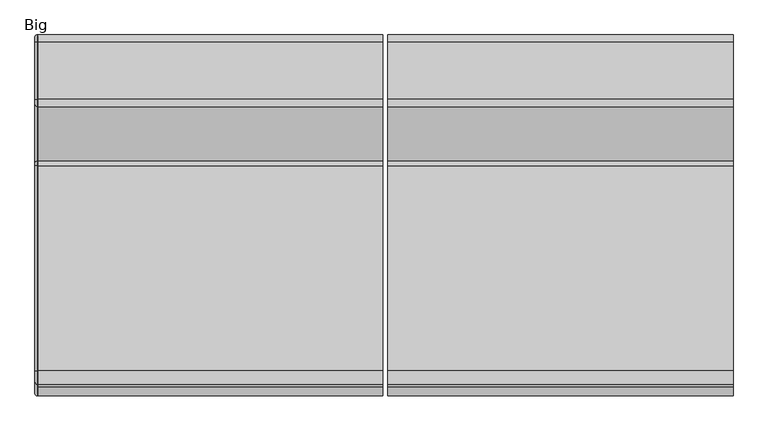
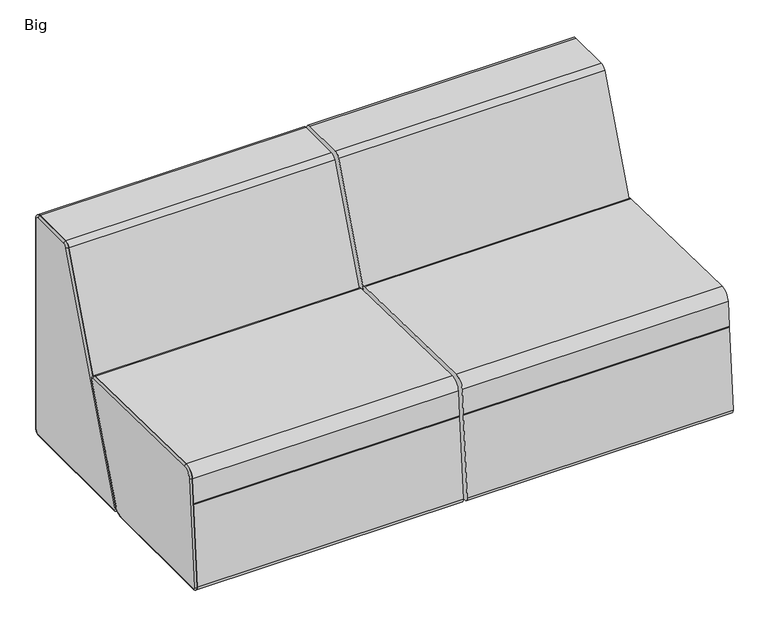
"""IFC4 building model written with IfcOpenShell, lengths in millimetres: furniture geometry, Big."""

from ifc_helpers import new_model, si_unit, point, frame, frame_2d, origin, place, context, project, spatial, polyline, circle_curve, ellipse_curve, trimmed, segment, composite_curve, outline, extrude, source, transform, mapped, element, save
from ifc_brep_helpers import plane_surface, cylinder_surface, revolved_surface, advanced_brep


def big_ac45dc13(model_context):
    return source(origin(), model_context, "Body", "SolidModel", [
        advanced_brep(
        [(-0.254, -309.3234931, 400.5410474), (-0.254, -439.5531367, 60.3381987), (-0.254, -464.4011038, 43.2436881), (-0.254, -856.7115006, 43.2436881), (-0.254, -864.2436833, 51.4033859), (-0.254, -836.7142807, 395.0582348), (-0.254, -809.6303008, 419.5340326), (-0.254, -315.0614252, 409.0733208), (6.096, -434.7493822, 58.4993215), (6.096, -304.5197385, 398.7021703), (6.096, -314.9526545, 414.2158586), (6.096, -809.5215301, 424.6765705), (6.096, -841.8415436, 395.4689681), (6.096, -869.3709462, 51.8141192), (6.096, -856.7115006, 38.1), (6.096, -464.4011038, 38.1), (4.8896881, -434.7493822, 58.4993215), (4.8896881, -304.5197385, 398.7021703), (4.8896881, -314.9526545, 414.2158586), (4.8896881, -809.5215301, 424.6765705), (4.8896881, -856.7115006, 38.1), (4.8896881, -464.4011038, 38.1), (4.8896881, -841.8415436, 395.4689681), (4.8896881, -869.3709462, 51.8141192)],
        [
            (0, 1),
            (1, 2, circle_curve(frame((-0.254, -464.4011038, 69.85), z_axis=(-1.0, 0.0, 0.0), x_axis=(0.0, 0.0, -1.0)), 26.6063119)),
            (2, 3),
            (3, 4, circle_curve(frame((-0.254, -856.7115006, 50.8), z_axis=(-1.0, 0.0, 0.0), x_axis=(0.0, -0.9968067382555047, 0.07985190397493185)), 7.5563119)),
            (4, 5),
            (5, 6, circle_curve(frame((-0.254, -810.1929297, 392.9336702), z_axis=(-1.0, 0.0, 0.0), x_axis=(0.0, 0.02114644341893813, 0.9997763889644172)), 26.6063119)),
            (6, 7),
            (7, 0, circle_curve(frame((-0.254, -315.1943583, 402.7884145), z_axis=(-1.0, 0.0, 0.0), x_axis=(0.0, 0.933912493810332, -0.35750168377920466)), 6.2863119)),
            (8, 9),
            (9, 10, circle_curve(frame((6.096, -315.1943583, 402.7884145), z_axis=(1.0, 0.0, 0.0), x_axis=(0.0, 0.933912493810332, -0.35750168377920466)), 11.43)),
            (10, 11),
            (11, 12, circle_curve(frame((6.096, -810.1929297, 392.9336702), z_axis=(1.0, 0.0, 0.0), x_axis=(0.0, 0.02114644341893813, 0.9997763889644172)), 31.75)),
            (12, 13),
            (13, 14, circle_curve(frame((6.096, -856.7115006, 50.8), z_axis=(1.0, 0.0, 0.0), x_axis=(0.0, -0.9968067382555047, 0.07985190397493185)), 12.7)),
            (14, 15),
            (15, 8, circle_curve(frame((6.096, -464.4011038, 69.85), z_axis=(1.0, 0.0, 0.0), x_axis=(0.0, 0.0, -1.0)), 31.75)),
            (16, 1, circle_curve(frame((4.8896881, -439.5531367, 60.3381987), z_axis=(0.0, 0.3575016837791923, 0.9339124938103369), x_axis=(1.0, 0.0, 0.0)), 5.1436881)),
            (0, 17, circle_curve(frame((4.8896881, -309.3234931, 400.5410474), z_axis=(0.0, -0.3575016837791923, -0.9339124938103369), x_axis=(1.0, 0.0, 0.0)), 5.1436881)),
            (17, 16),
            (17, 9),
            (8, 16),
            (18, 7, circle_curve(frame((4.8896881, -315.0614252, 409.0733208), z_axis=(0.0, -0.9997763889644173, 0.02114644341893418), x_axis=(1.0, 0.0, 0.0)), 5.1436881)),
            (6, 19, circle_curve(frame((4.8896881, -809.6303008, 419.5340326), z_axis=(0.0, 0.9997763889644173, -0.02114644341893418), x_axis=(1.0, 0.0, 0.0)), 5.1436881)),
            (19, 18),
            (19, 11),
            (10, 18),
            (20, 3, circle_curve(frame((4.8896881, -856.7115006, 43.2436881), z_axis=(0.0, 1.0, 0.0), x_axis=(1.0, 0.0, 0.0)), 5.1436881)),
            (2, 21, circle_curve(frame((4.8896881, -464.4011038, 43.2436881), z_axis=(0.0, -1.0, 0.0), x_axis=(1.0, 0.0, 0.0)), 5.1436881)),
            (21, 20),
            (21, 15),
            (14, 20),
            (16, 21, circle_curve(frame((4.8896881, -464.4011038, 69.85), z_axis=(-1.0, 0.0, 0.0), x_axis=(0.0, 0.0, -1.0)), 31.75)),
            (18, 17, circle_curve(frame((4.8896881, -315.1943583, 402.7884145), z_axis=(-1.0, 0.0, 0.0), x_axis=(0.0, 0.933912493810332, -0.35750168377920466)), 11.43)),
            (5, 22, circle_curve(frame((4.8896881, -836.7142807, 395.0582348), z_axis=(0.0, 0.07985190397493835, 0.9968067382555041), x_axis=(1.0, 0.0, 0.0)), 5.1436881)),
            (22, 19, circle_curve(frame((4.8896881, -810.1929297, 392.9336702), z_axis=(-1.0, 0.0, 0.0), x_axis=(0.0, 0.02114644341893813, 0.9997763889644172)), 31.75)),
            (22, 12),
            (4, 23, circle_curve(frame((4.8896881, -864.2436833, 51.4033859), z_axis=(0.0, 0.07985190397492815, 0.996806738255505), x_axis=(1.0, 0.0, 0.0)), 5.1436881)),
            (23, 22),
            (23, 13),
            (20, 23, circle_curve(frame((4.8896881, -856.7115006, 50.8), z_axis=(-1.0, 0.0, 0.0), x_axis=(0.0, -0.9968067382555047, 0.07985190397493185)), 12.7)),
        ],
        [
            plane_surface(frame((-0.254, -315.0869344, 407.8672786), z_axis=(-1.0, 0.0, 0.0), x_axis=(0.0, 0.9997763889644173, -0.021146443418933708))),
            plane_surface(frame((6.096, -315.0869344, 407.8672786), z_axis=(1.0, 0.0, 0.0), x_axis=(0.0, -0.9997763889644173, 0.021146443418933708))),
            cylinder_surface(frame((4.8896881, -439.5531367, 60.3381987), z_axis=(0.0, -0.3575016837791923, -0.9339124938103369), x_axis=(1.0, 0.0, 0.0)), 5.1436881),
            plane_surface(frame((4.8896881, -434.7493822, 58.4993215), z_axis=(0.0, 0.9339124938103369, -0.3575016837791922), x_axis=(0.0, 0.3575016837791922, 0.9339124938103369))),
            cylinder_surface(frame((4.8896881, -315.0614252, 409.0733208), z_axis=(0.0, 0.9997763889644173, -0.02114644341893418), x_axis=(1.0, 0.0, 0.0)), 5.1436881),
            plane_surface(frame((4.8896881, -314.9526545, 414.2158586), z_axis=(0.0, 0.02114644341893413, 0.9997763889644173), x_axis=(0.0, -0.9997763889644173, 0.02114644341893413))),
            cylinder_surface(frame((4.8896881, -856.7115006, 43.2436881), z_axis=(0.0, -1.0, 0.0), x_axis=(1.0, 0.0, 0.0)), 5.1436881),
            plane_surface(frame((4.8896881, -856.7115006, 38.1), z_axis=(0.0, 0.0, -1.0), x_axis=(0.0, 1.0, 0.0))),
            revolved_surface(trimmed(ellipse_curve(frame((4.8896881, -464.4011038, 43.2436881), z_axis=(0.0, -1.0, 0.0), x_axis=(1.0, 0.0, 0.0)), 5.1436881, 5.1436881), [point((-0.254, -464.4011038, 43.2436881))], [point((4.8896881, -464.4011038, 38.1))], True, "CARTESIAN"), (-0.254, -464.4011038, 69.85), (1.0, 0.0, 0.0)),
            cylinder_surface(frame((-0.254, -464.4011038, 69.85), z_axis=(1.0, 0.0, 0.0), x_axis=(0.0, 0.0, -1.0)), 31.75),
            revolved_surface(trimmed(ellipse_curve(frame((4.8896881, -309.3234931, 400.5410474), z_axis=(0.0, -0.35750168377920477, -0.933912493810332), x_axis=(1.0, 0.0, 0.0)), 5.1436881, 5.1436881), [point((-0.254, -309.3234931, 400.5410474))], [point((4.8896881, -304.5197385, 398.7021703))], True, "CARTESIAN"), (-0.254, -315.1943583, 402.7884145), (1.0, 0.0, 0.0)),
            cylinder_surface(frame((-0.254, -315.1943583, 402.7884145), z_axis=(1.0, 0.0, 0.0), x_axis=(0.0, 0.933912493810332, -0.35750168377920466)), 11.43),
            revolved_surface(trimmed(ellipse_curve(frame((4.8896881, -809.6303008, 419.5340326), z_axis=(0.0, 0.9997763889644172, -0.021146443418938222), x_axis=(1.0, 0.0, 0.0)), 5.1436881, 5.1436881), [point((-0.254, -809.6303008, 419.5340326))], [point((4.8896881, -809.5215301, 424.6765705))], True, "CARTESIAN"), (-0.254, -810.1929297, 392.9336702), (1.0, 0.0, 0.0)),
            cylinder_surface(frame((-0.254, -810.1929297, 392.9336702), z_axis=(1.0, 0.0, 0.0), x_axis=(0.0, 0.02114644341893813, 0.9997763889644172)), 31.75),
            cylinder_surface(frame((4.8896881, -836.7142807, 395.0582348), z_axis=(0.0, 0.07985190397492815, 0.996806738255505), x_axis=(1.0, 0.0, 0.0)), 5.1436881),
            plane_surface(frame((4.8896881, -841.8415436, 395.4689681), z_axis=(0.0, -0.9968067382555051, 0.07985190397492803), x_axis=(0.0, -0.07985190397492803, -0.9968067382555051))),
            revolved_surface(trimmed(ellipse_curve(frame((4.8896881, -864.2436833, 51.4033859), z_axis=(0.0, 0.07985190397493194, 0.9968067382555047), x_axis=(1.0, 0.0, 0.0)), 5.1436881, 5.1436881), [point((-0.254, -864.2436833, 51.4033859))], [point((4.8896881, -869.3709462, 51.8141192))], True, "CARTESIAN"), (-0.254, -856.7115006, 50.8), (1.0, 0.0, 0.0)),
            cylinder_surface(frame((-0.254, -856.7115006, 50.8), z_axis=(1.0, 0.0, 0.0), x_axis=(0.0, -0.9968067382555047, 0.07985190397493185)), 12.7),
        ],
        [
            (0, [[1, 2, 3, 4, 5, 6, 7, 8]]),
            (1, [[9, 10, 11, 12, 13, 14, 15, 16]]),
            (2, [[17, -1, 18, 19]]),
            (3, [[-19, 20, -9, 21]]),
            (4, [[22, -7, 23, 24]]),
            (5, [[-24, 25, -11, 26]]),
            (6, [[27, -3, 28, 29]]),
            (7, [[-29, 30, -15, 31]]),
            (8, [[-17, 32, -28, -2]]),
            (9, [[-21, -16, -30, -32]]),
            (10, [[-18, -8, -22, 33]]),
            (11, [[-20, -33, -26, -10]]),
            (12, [[-23, -6, 34, 35]]),
            (13, [[-25, -35, 36, -12]]),
            (14, [[-34, -5, 37, 38]]),
            (15, [[-36, -38, 39, -13]]),
            (16, [[-27, 40, -37, -4]]),
            (17, [[-31, -14, -39, -40]]),
        ],
    ),
        advanced_brep(
        [(4.8896881, -173.0792475, 753.4076796), (-0.254, -168.2718112, 751.5784492), (-0.254, -433.8956515, 53.4872227), (4.8896881, -438.7030878, 55.3164531), (6.096, -438.7030878, 55.3164531), (6.096, -173.0792475, 753.4076796), (4.8896881, -426.8333088, 38.1), (-0.254, -426.8333088, 43.2436881), (-0.254, -19.05, 43.2436881), (4.8896881, -19.05, 38.1), (6.096, -19.05, 38.1), (6.096, -426.8333088, 38.1), (-0.254, -5.1436881, 57.15), (4.8896881, 0.0, 57.15), (6.096, 0.0, 57.15), (-0.254, -5.1436881, 748.665), (4.8896881, 0.0, 748.665), (6.096, 0.0, 748.665), (-0.254, -17.018, 760.5393119), (4.8896881, -17.018, 765.683), (6.096, -17.018, 765.683), (-0.254, -155.2745791, 760.5393119), (4.8896881, -155.2745791, 765.683), (6.096, -155.2745791, 765.683)],
        [
            (0, 1, circle_curve(frame((4.8896881, -168.2718112, 751.5784492), z_axis=(0.0, -0.3556262257533027, -0.9346282616936323), x_axis=(1.0, 0.0, 0.0)), 5.1436881)),
            (1, 2),
            (2, 3, circle_curve(frame((4.8896881, -433.8956515, 53.4872227), z_axis=(0.0, 0.3556262257533027, 0.9346282616936323), x_axis=(1.0, 0.0, 0.0)), 5.1436881)),
            (3, 0),
            (3, 4),
            (4, 5),
            (5, 0),
            (6, 7, circle_curve(frame((4.8896881, -426.8333088, 43.2436881), z_axis=(0.0, 1.0, 0.0), x_axis=(1.0, 0.0, 0.0)), 5.1436881)),
            (7, 8),
            (8, 9, circle_curve(frame((4.8896881, -19.05, 43.2436881), z_axis=(0.0, -1.0, 0.0), x_axis=(1.0, 0.0, 0.0)), 5.1436881)),
            (9, 6),
            (9, 10),
            (10, 11),
            (11, 6),
            (8, 12, circle_curve(frame((-0.254, -19.05, 57.15), z_axis=(1.0, 0.0, 0.0), x_axis=(0.0, 0.0, -1.0)), 13.9063119)),
            (12, 13, circle_curve(frame((4.8896881, -5.1436881, 57.15), z_axis=(0.0, 0.0, -1.0), x_axis=(1.0, 0.0, 0.0)), 5.1436881)),
            (13, 9, circle_curve(frame((4.8896881, -19.05, 57.15), z_axis=(-1.0, 0.0, 0.0), x_axis=(0.0, 0.0, -1.0)), 19.05)),
            (13, 14),
            (14, 10, circle_curve(frame((6.096, -19.05, 57.15), z_axis=(-1.0, 0.0, 0.0), x_axis=(0.0, 0.0, -1.0)), 19.05)),
            (12, 15),
            (15, 16, circle_curve(frame((4.8896881, -5.1436881, 748.665), z_axis=(0.0, 0.0, -1.0), x_axis=(1.0, 0.0, 0.0)), 5.1436881)),
            (16, 13),
            (16, 17),
            (17, 14),
            (15, 18, circle_curve(frame((-0.254, -17.018, 748.665), z_axis=(1.0, 0.0, 0.0), x_axis=(0.0, 1.0, 0.0)), 11.8743119)),
            (18, 19, circle_curve(frame((4.8896881, -17.018, 760.5393119), z_axis=(0.0, 1.0, 0.0), x_axis=(1.0, 0.0, 0.0)), 5.1436881)),
            (19, 16, circle_curve(frame((4.8896881, -17.018, 748.665), z_axis=(-1.0, 0.0, 0.0), x_axis=(0.0, 1.0, 0.0)), 17.018)),
            (19, 20),
            (20, 17, circle_curve(frame((6.096, -17.018, 748.665), z_axis=(-1.0, 0.0, 0.0), x_axis=(0.0, 1.0, 0.0)), 17.018)),
            (18, 21),
            (21, 22, circle_curve(frame((4.8896881, -155.2745791, 760.5393119), z_axis=(0.0, 1.0, 0.0), x_axis=(1.0, 0.0, 0.0)), 5.1436881)),
            (22, 19),
            (22, 23),
            (23, 20),
            (0, 22, circle_curve(frame((4.8896881, -155.2745791, 746.633), z_axis=(-1.0, 0.0, 0.0), x_axis=(0.0, 0.0, 1.0)), 19.05)),
            (21, 1, circle_curve(frame((-0.254, -155.2745791, 746.633), z_axis=(1.0, 0.0, 0.0), x_axis=(0.0, 0.0, 1.0)), 13.9063119)),
            (5, 23, circle_curve(frame((6.096, -155.2745791, 746.633), z_axis=(-1.0, 0.0, 0.0), x_axis=(0.0, 0.0, 1.0)), 19.05)),
            (7, 2, circle_curve(frame((-0.254, -426.8333088, 50.8), z_axis=(-1.0, 0.0, 0.0), x_axis=(0.0, -0.9346282616936317, 0.35562622575330444)), 7.5563119)),
            (6, 3, circle_curve(frame((4.8896881, -426.8333088, 50.8), z_axis=(-1.0, 0.0, 0.0), x_axis=(0.0, -0.9346282616936317, 0.35562622575330444)), 12.7)),
            (11, 4, circle_curve(frame((6.096, -426.8333088, 50.8), z_axis=(-1.0, 0.0, 0.0), x_axis=(0.0, -0.9346282616936317, 0.35562622575330444)), 12.7)),
        ],
        [
            cylinder_surface(frame((4.8896881, -168.2718112, 751.5784492), z_axis=(0.0, 0.3556262257533027, 0.9346282616936323), x_axis=(1.0, 0.0, 0.0)), 5.1436881),
            plane_surface(frame((4.8896881, -173.0792475, 753.4076796), z_axis=(0.0, -0.9346282616936324, 0.35562622575330266), x_axis=(0.0, -0.35562622575330266, -0.9346282616936324))),
            cylinder_surface(frame((4.8896881, -426.8333088, 43.2436881), z_axis=(0.0, -1.0, 0.0), x_axis=(1.0, 0.0, 0.0)), 5.1436881),
            plane_surface(frame((4.8896881, -426.8333088, 38.1), z_axis=(0.0, 0.0, -1.0), x_axis=(0.0, 1.0, 0.0))),
            revolved_surface(trimmed(ellipse_curve(frame((4.8896881, -19.05, 43.2436881), z_axis=(0.0, -1.0, 0.0), x_axis=(1.0, 0.0, 0.0)), 5.1436881, 5.1436881), [point((-0.254, -19.05, 43.2436881))], [point((4.8896881, -19.05, 38.1))], True, "CARTESIAN"), (-0.254, -19.05, 57.15), (1.0, 0.0, 0.0)),
            cylinder_surface(frame((-0.254, -19.05, 57.15), z_axis=(1.0, 0.0, 0.0), x_axis=(0.0, 0.0, -1.0)), 19.05),
            cylinder_surface(frame((4.8896881, -5.1436881, 57.15), z_axis=(0.0, 0.0, -1.0), x_axis=(1.0, 0.0, 0.0)), 5.1436881),
            plane_surface(frame((4.8896881, 0.0, 57.15), z_axis=(0.0, 1.0, 0.0), x_axis=(0.0, 0.0, 1.0))),
            revolved_surface(trimmed(ellipse_curve(frame((4.8896881, -5.1436881, 748.665), z_axis=(0.0, 0.0, -1.0), x_axis=(1.0, 0.0, 0.0)), 5.1436881, 5.1436881), [point((-0.254, -5.1436881, 748.665))], [point((4.8896881, 0.0, 748.665))], True, "CARTESIAN"), (-0.254, -17.018, 748.665), (1.0, 0.0, 0.0)),
            cylinder_surface(frame((-0.254, -17.018, 748.665), z_axis=(1.0, 0.0, 0.0), x_axis=(0.0, 1.0, 0.0)), 17.018),
            cylinder_surface(frame((4.8896881, -17.018, 760.5393119), z_axis=(0.0, 1.0, 0.0), x_axis=(1.0, 0.0, 0.0)), 5.1436881),
            plane_surface(frame((4.8896881, -17.018, 765.683), z_axis=(0.0, 0.0, 1.0), x_axis=(0.0, -1.0, 0.0))),
            revolved_surface(trimmed(ellipse_curve(frame((4.8896881, -155.2745791, 760.5393119), z_axis=(0.0, 1.0, 0.0), x_axis=(1.0, 0.0, 0.0)), 5.1436881, 5.1436881), [point((-0.254, -155.2745791, 760.5393119))], [point((4.8896881, -155.2745791, 765.683))], True, "CARTESIAN"), (-0.254, -155.2745791, 746.633), (1.0, 0.0, 0.0)),
            cylinder_surface(frame((-0.254, -155.2745791, 746.633), z_axis=(1.0, 0.0, 0.0), x_axis=(0.0, 0.0, 1.0)), 19.05),
            plane_surface(frame((-0.254, -426.8333088, 50.8), z_axis=(-1.0, 0.0, 0.0), x_axis=(0.0, -0.9346282616936318, 0.3556262257533045))),
            revolved_surface(trimmed(ellipse_curve(frame((4.8896881, -433.8956515, 53.4872227), z_axis=(0.0, 0.35562622575330444, 0.9346282616936317), x_axis=(1.0, 0.0, 0.0)), 5.1436881, 5.1436881), [point((-0.254, -433.8956515, 53.4872227))], [point((4.8896881, -438.7030878, 55.3164531))], True, "CARTESIAN"), (-0.254, -426.8333088, 50.8), (1.0, 0.0, 0.0)),
            cylinder_surface(frame((-0.254, -426.8333088, 50.8), z_axis=(1.0, 0.0, 0.0), x_axis=(0.0, -0.9346282616936317, 0.35562622575330444)), 12.7),
            plane_surface(frame((6.096, -426.8333088, 50.8), z_axis=(1.0, 0.0, 0.0), x_axis=(0.0, -0.9346282616936318, 0.3556262257533045))),
        ],
        [
            (0, [[1, 2, 3, 4]]),
            (1, [[-4, 5, 6, 7]]),
            (2, [[8, 9, 10, 11]]),
            (3, [[-11, 12, 13, 14]]),
            (4, [[-10, 15, 16, 17]]),
            (5, [[-12, -17, 18, 19]]),
            (6, [[-16, 20, 21, 22]]),
            (7, [[-18, -22, 23, 24]]),
            (8, [[-21, 25, 26, 27]]),
            (9, [[-23, -27, 28, 29]]),
            (10, [[-26, 30, 31, 32]]),
            (11, [[-28, -32, 33, 34]]),
            (12, [[-1, 35, -31, 36]]),
            (13, [[-7, 37, -33, -35]]),
            (14, [[-2, -36, -30, -25, -20, -15, -9, 38]]),
            (15, [[-3, -38, -8, 39]]),
            (16, [[-5, -39, -14, 40]]),
            (17, [[-6, -40, -13, -19, -24, -29, -34, -37]]),
        ],
    ),
        extrude(outline(composite_curve([segment(polyline([(-809.5215301, 424.6765705), (-314.9526545, 414.2158586)]), True, "CONTINUOUS"), segment(trimmed(circle_curve(frame_2d((-315.1943583, 402.7884145)), 11.43), [point((-314.9526545, 414.2158586))], [point((-304.5197385, 398.7021703))], False, "CARTESIAN"), True, "CONTINUOUS"), segment(polyline([(-304.5197385, 398.7021703), (-434.7493822, 58.4993215)]), True, "CONTINUOUS"), segment(trimmed(circle_curve(frame_2d((-464.4011038, 69.85)), 31.75), [point((-434.7493822, 58.4993215))], [point((-464.4011038, 38.1))], False, "CARTESIAN"), True, "CONTINUOUS"), segment(polyline([(-464.4011038, 38.1), (-856.7115006, 38.1)]), True, "CONTINUOUS"), segment(trimmed(circle_curve(frame_2d((-856.7115006, 50.8)), 12.7), [point((-856.7115006, 38.1))], [point((-869.3709462, 51.8141192))], False, "CARTESIAN"), True, "CONTINUOUS"), segment(polyline([(-869.3709462, 51.8141192), (-848.45962, 312.8542425), (-847.2755375, 314.0383251), (-848.1917277, 316.1983933), (-841.8415436, 395.4689681)]), True, "CONTINUOUS"), segment(trimmed(circle_curve(frame_2d((-810.1929297, 392.9336702)), 31.75), [point((-841.8415436, 395.4689681))], [point((-809.5215301, 424.6765705))], False, "CARTESIAN"), True, "CONTINUOUS")], self_intersect=False)), frame((850.6447146, 0.0, 0.0), z_axis=(1.0, 0.0, 0.0), x_axis=(0.0, 1.0, 0.0)), (0.0, 0.0, 1.0), 831.8487146),
        advanced_brep(
        [(1682.4934293, -155.2745791, 765.683), (1682.4934293, -173.0793525, 753.4074034), (1682.4934293, -438.7136544, 55.3202627), (1682.4934293, -426.8333088, 38.1), (1682.4934293, -19.05, 38.1), (1682.4934293, -0.0201742, 56.2735128), (1682.4934293, -0.0201742, 636.29672), (1682.4934293, -2.3995896, 638.2932462), (1682.4934293, -0.0201742, 640.2897724), (1682.4934293, -0.0201742, 749.4933971), (1682.4934293, -17.018, 765.683), (850.6447146, -155.2745791, 765.683), (850.6447146, -17.018, 765.683), (850.6447146, -0.0201742, 749.4933971), (850.6447146, -0.0201742, 640.2897724), (850.6447146, -2.3995896, 638.2932462), (850.6447146, -0.0201742, 636.29672), (850.6447146, -0.0201742, 56.2735128), (850.6447146, -19.05, 38.1), (850.6447146, -426.8333088, 38.1), (850.6447146, -438.7031578, 55.316269), (850.6447146, -173.1006769, 753.415517)],
        [
            (0, 1, circle_curve(frame((1682.4934293, -155.2745791, 746.633), z_axis=(1.0, 0.0, 0.0), x_axis=(0.0, 0.0, 1.0)), 19.05)),
            (1, 2),
            (2, 3, circle_curve(frame((1682.4934293, -426.8333088, 50.8), z_axis=(1.0, 0.0, 0.0), x_axis=(0.0, -0.9346282616936318, 0.3556262257533045)), 12.7)),
            (3, 4),
            (4, 5, circle_curve(frame((1682.4934293, -19.05, 57.15), z_axis=(1.0, 0.0, 0.0), x_axis=(0.0, 0.0, -1.0)), 19.05)),
            (5, 6),
            (6, 7),
            (7, 8),
            (8, 9),
            (9, 10, circle_curve(frame((1682.4934293, -17.018, 748.665), z_axis=(1.0, 0.0, 0.0), x_axis=(0.0, 1.0, 0.0)), 17.018)),
            (10, 0),
            (11, 12),
            (12, 13, circle_curve(frame((850.6447146, -17.018, 748.665), z_axis=(-1.0, 0.0, 0.0), x_axis=(0.0, 1.0, 0.0)), 17.018)),
            (13, 14),
            (14, 15),
            (15, 16),
            (16, 17),
            (17, 18, circle_curve(frame((850.6447146, -19.05, 57.15), z_axis=(-1.0, 0.0, 0.0), x_axis=(0.0, 0.0, -1.0)), 19.05)),
            (18, 19),
            (19, 20, circle_curve(frame((850.6447146, -426.8333088, 50.8), z_axis=(-1.0, 0.0, 0.0), x_axis=(0.0, -0.9346282616936318, 0.3556262257533045)), 12.7)),
            (20, 21),
            (21, 11, circle_curve(frame((850.6447146, -155.2745791, 746.633), z_axis=(-1.0, 0.0, 0.0), x_axis=(0.0, 0.0, 1.0)), 19.05)),
            (0, 11),
            (21, 1),
            (20, 2),
            (19, 3),
            (18, 4),
            (17, 5),
            (16, 6),
            (15, 7),
            (14, 8),
            (13, 9),
            (12, 10),
        ],
        [
            plane_surface(frame((1682.4934293, -155.2745791, 765.683), z_axis=(1.0, 0.0, 0.0), x_axis=(0.0, -1.0, 0.0))),
            plane_surface(frame((850.6447146, -155.2745791, 765.683), z_axis=(-1.0, 0.0, 0.0), x_axis=(0.0, 1.0, 0.0))),
            cylinder_surface(frame((850.6447146, -155.2745791, 746.633), z_axis=(1.0, 0.0, 0.0), x_axis=(0.0, 0.0, 1.0)), 19.05),
            plane_surface(frame((1682.4934293, -173.1006769, 753.415517), z_axis=(0.0, -0.9346337775142447, 0.3556117291786837), x_axis=(-1.0, 0.0, 0.0))),
            cylinder_surface(frame((850.6447146, -426.8333088, 50.8), z_axis=(1.0, 0.0, 0.0), x_axis=(0.0, -0.9346282616936318, 0.3556262257533045)), 12.7),
            plane_surface(frame((1682.4934293, -426.8333088, 38.1), z_axis=(0.0, 0.0, -1.0), x_axis=(-1.0, 0.0, 0.0))),
            cylinder_surface(frame((850.6447146, -19.05, 57.15), z_axis=(1.0, 0.0, 0.0), x_axis=(0.0, 0.0, -1.0)), 19.05),
            plane_surface(frame((1682.4934293, -0.0201742, 56.2735128), z_axis=(0.0, 1.0, 0.0), x_axis=(-1.0, 0.0, 0.0))),
            plane_surface(frame((1682.4934293, -0.0201742, 636.29672), z_axis=(0.0, 0.6427799768384292, 0.7660508477742117), x_axis=(-1.0, 0.0, 0.0))),
            plane_surface(frame((1682.4934293, -2.3995896, 638.2932462), z_axis=(0.0, 0.6427799768384275, -0.7660508477742132), x_axis=(-1.0, 0.0, 0.0))),
            plane_surface(frame((1682.4934293, -0.0201742, 640.2897724), z_axis=(0.0, 1.0, 0.0), x_axis=(-1.0, 0.0, 0.0))),
            cylinder_surface(frame((850.6447146, -17.018, 748.665), z_axis=(1.0, 0.0, 0.0), x_axis=(0.0, 1.0, 0.0)), 17.018),
            plane_surface(frame((1682.4934293, -17.018, 765.683), z_axis=(0.0, 0.0, 1.0), x_axis=(-1.0, 0.0, 0.0))),
        ],
        [
            (0, [[1, 2, 3, 4, 5, 6, 7, 8, 9, 10, 11]]),
            (1, [[12, 13, 14, 15, 16, 17, 18, 19, 20, 21, 22]]),
            (2, [[-1, 23, -22, 24]]),
            (3, [[-2, -24, -21, 25]]),
            (4, [[-3, -25, -20, 26]]),
            (5, [[-4, -26, -19, 27]]),
            (6, [[-5, -27, -18, 28]]),
            (7, [[-6, -28, -17, 29]]),
            (8, [[-7, -29, -16, 30]]),
            (9, [[-8, -30, -15, 31]]),
            (10, [[-9, -31, -14, 32]]),
            (11, [[-10, -32, -13, 33]]),
            (12, [[-11, -33, -12, -23]]),
        ],
    ),
        advanced_brep(
        [(1575.5566121, -756.8523536, 67.6126123), (1584.9939089, -756.8523536, 67.6126123), (1584.9939089, -756.8523536, 43.0000401), (1575.5566121, -756.8523536, 43.0000401), (1606.9958653, -756.8523536, 43.0000401), (1553.5546557, -756.8523536, 43.0000401), (1604.3464978, -756.8523536, 21.422673), (1556.2040232, -756.8523536, 21.422673), (1597.2327608, -756.8523536, 0.0), (1563.3177602, -756.8523536, 0.0), (1580.2752605, -756.8523536, 0.0), (1580.2752605, -756.8523536, 67.6126123)],
        [
            (0, 1, circle_curve(frame((1580.2752605, -756.8523536, 67.6126123), z_axis=(0.0, 0.0, -1.0), x_axis=(1.0, 0.0, 0.0)), 4.7186484)),
            (1, 2),
            (2, 3, circle_curve(frame((1580.2752605, -756.8523536, 43.0000401), z_axis=(0.0, 0.0, 1.0), x_axis=(1.0, 0.0, 0.0)), 4.7186484)),
            (3, 0),
            (1, 0, circle_curve(frame((1580.2752605, -756.8523536, 67.6126123), z_axis=(0.0, 0.0, -1.0), x_axis=(1.0, 0.0, 0.0)), 4.7186484)),
            (3, 2, circle_curve(frame((1580.2752605, -756.8523536, 43.0000401), z_axis=(0.0, 0.0, 1.0), x_axis=(1.0, 0.0, 0.0)), 4.7186484)),
            (2, 4),
            (4, 5, circle_curve(frame((1580.2752605, -756.8523536, 43.0000401), z_axis=(0.0, 0.0, 1.0), x_axis=(1.0, 0.0, 0.0)), 26.7206048)),
            (5, 3),
            (5, 4, circle_curve(frame((1580.2752605, -756.8523536, 43.0000401), z_axis=(0.0, 0.0, 1.0), x_axis=(1.0, 0.0, 0.0)), 26.7206048)),
            (4, 6),
            (6, 7, circle_curve(frame((1580.2752605, -756.8523536, 21.422673), z_axis=(0.0, 0.0, 1.0), x_axis=(1.0, 0.0, 0.0)), 24.0712373)),
            (7, 5),
            (7, 6, circle_curve(frame((1580.2752605, -756.8523536, 21.422673), z_axis=(0.0, 0.0, 1.0), x_axis=(1.0, 0.0, 0.0)), 24.0712373)),
            (6, 8),
            (8, 9, circle_curve(frame((1580.2752605, -756.8523536, 0.0), z_axis=(0.0, 0.0, 1.0), x_axis=(1.0, 0.0, 0.0)), 16.9575003)),
            (9, 7),
            (9, 8, circle_curve(frame((1580.2752605, -756.8523536, 0.0), z_axis=(0.0, 0.0, 1.0), x_axis=(1.0, 0.0, 0.0)), 16.9575003)),
            (8, 10),
            (10, 9),
            (11, 1),
            (0, 11),
        ],
        [
            cylinder_surface(frame((1580.2752605, -756.8523536, 67.6126123), z_axis=(0.0, 0.0, 1.0), x_axis=(1.0, 0.0, 0.0)), 4.7186484),
            plane_surface(frame((1580.2752605, -756.8523536, 43.0000401), z_axis=(0.0, 0.0, 1.0), x_axis=(1.0, 0.0, 0.0))),
            revolved_surface(polyline([(1604.3464978, -756.8523536, 21.422673), (1606.9958653, -756.8523536, 43.0000401)]), (1580.2752605, -756.8523536, 67.6126123), (0.0, 0.0, 1.0)),
            revolved_surface(polyline([(1597.2327608, -756.8523536, 0.0), (1604.3464978, -756.8523536, 21.422673)]), (1580.2752605, -756.8523536, 67.6126123), (0.0, 0.0, 1.0)),
            plane_surface(frame((1580.2752605, -756.8523536, 0.0), z_axis=(0.0, 0.0, -1.0), x_axis=(1.0, 0.0, 0.0))),
            plane_surface(frame((1580.2752605, -756.8523536, 67.6126123), z_axis=(0.0, 0.0, 1.0), x_axis=(1.0, 0.0, 0.0))),
        ],
        [
            (0, [[1, 2, 3, 4]]),
            (0, [[5, -4, 6, -2]]),
            (1, [[-3, 7, 8, 9]]),
            (1, [[-6, -9, 10, -7]]),
            (2, [[-8, 11, 12, 13]]),
            (2, [[-10, -13, 14, -11]]),
            (3, [[-12, 15, 16, 17]]),
            (3, [[-14, -17, 18, -15]]),
            (4, [[-16, 19, 20]]),
            (4, [[-18, -20, -19]]),
            (5, [[21, -1, 22]]),
            (5, [[-22, -5, -21]]),
        ],
    ),
        advanced_brep(
        [(1578.7316121, -115.2637734, 67.6126123), (1588.1689089, -115.2637734, 67.6126123), (1588.1689089, -115.2637734, 43.0000401), (1578.7316121, -115.2637734, 43.0000401), (1610.1708653, -115.2637734, 43.0000401), (1556.7296557, -115.2637734, 43.0000401), (1607.5214978, -115.2637734, 21.422673), (1559.3790232, -115.2637734, 21.422673), (1600.4077608, -115.2637734, 0.0), (1566.4927602, -115.2637734, 0.0), (1583.4502605, -115.2637734, 0.0), (1583.4502605, -115.2637734, 67.6126123)],
        [
            (0, 1, circle_curve(frame((1583.4502605, -115.2637734, 67.6126123), z_axis=(0.0, 0.0, -1.0), x_axis=(1.0, 0.0, 0.0)), 4.7186484)),
            (1, 2),
            (2, 3, circle_curve(frame((1583.4502605, -115.2637734, 43.0000401), z_axis=(0.0, 0.0, 1.0), x_axis=(1.0, 0.0, 0.0)), 4.7186484)),
            (3, 0),
            (1, 0, circle_curve(frame((1583.4502605, -115.2637734, 67.6126123), z_axis=(0.0, 0.0, -1.0), x_axis=(1.0, 0.0, 0.0)), 4.7186484)),
            (3, 2, circle_curve(frame((1583.4502605, -115.2637734, 43.0000401), z_axis=(0.0, 0.0, 1.0), x_axis=(1.0, 0.0, 0.0)), 4.7186484)),
            (2, 4),
            (4, 5, circle_curve(frame((1583.4502605, -115.2637734, 43.0000401), z_axis=(0.0, 0.0, 1.0), x_axis=(1.0, 0.0, 0.0)), 26.7206048)),
            (5, 3),
            (5, 4, circle_curve(frame((1583.4502605, -115.2637734, 43.0000401), z_axis=(0.0, 0.0, 1.0), x_axis=(1.0, 0.0, 0.0)), 26.7206048)),
            (4, 6),
            (6, 7, circle_curve(frame((1583.4502605, -115.2637734, 21.422673), z_axis=(0.0, 0.0, 1.0), x_axis=(1.0, 0.0, 0.0)), 24.0712373)),
            (7, 5),
            (7, 6, circle_curve(frame((1583.4502605, -115.2637734, 21.422673), z_axis=(0.0, 0.0, 1.0), x_axis=(1.0, 0.0, 0.0)), 24.0712373)),
            (6, 8),
            (8, 9, circle_curve(frame((1583.4502605, -115.2637734, 0.0), z_axis=(0.0, 0.0, 1.0), x_axis=(1.0, 0.0, 0.0)), 16.9575003)),
            (9, 7),
            (9, 8, circle_curve(frame((1583.4502605, -115.2637734, 0.0), z_axis=(0.0, 0.0, 1.0), x_axis=(1.0, 0.0, 0.0)), 16.9575003)),
            (8, 10),
            (10, 9),
            (11, 1),
            (0, 11),
        ],
        [
            cylinder_surface(frame((1583.4502605, -115.2637734, 67.6126123), z_axis=(0.0, 0.0, 1.0), x_axis=(1.0, 0.0, 0.0)), 4.7186484),
            plane_surface(frame((1583.4502605, -115.2637734, 43.0000401), z_axis=(0.0, 0.0, 1.0), x_axis=(1.0, 0.0, 0.0))),
            revolved_surface(polyline([(1607.5214978, -115.2637734, 21.422673), (1610.1708653, -115.2637734, 43.0000401)]), (1583.4502605, -115.2637734, 67.6126123), (0.0, 0.0, 1.0)),
            revolved_surface(polyline([(1600.4077608, -115.2637734, 0.0), (1607.5214978, -115.2637734, 21.422673)]), (1583.4502605, -115.2637734, 67.6126123), (0.0, 0.0, 1.0)),
            plane_surface(frame((1583.4502605, -115.2637734, 0.0), z_axis=(0.0, 0.0, -1.0), x_axis=(1.0, 0.0, 0.0))),
            plane_surface(frame((1583.4502605, -115.2637734, 67.6126123), z_axis=(0.0, 0.0, 1.0), x_axis=(1.0, 0.0, 0.0))),
        ],
        [
            (0, [[1, 2, 3, 4]]),
            (0, [[5, -4, 6, -2]]),
            (1, [[-3, 7, 8, 9]]),
            (1, [[-6, -9, 10, -7]]),
            (2, [[-8, 11, 12, 13]]),
            (2, [[-10, -13, 14, -11]]),
            (3, [[-12, 15, 16, 17]]),
            (3, [[-14, -17, 18, -15]]),
            (4, [[-16, 19, 20]]),
            (4, [[-18, -20, -19]]),
            (5, [[21, -1, 22]]),
            (5, [[-22, -5, -21]]),
        ],
    ),
        advanced_brep(
        [(113.0328172, -756.8523536, 43.0000401), (103.5955204, -756.8523536, 43.0000401), (103.5955204, -756.8523536, 67.6126123), (113.0328172, -756.8523536, 67.6126123), (135.0347736, -756.8523536, 43.0000401), (81.5935639, -756.8523536, 43.0000401), (132.3854061, -756.8523536, 21.422673), (84.2429315, -756.8523536, 21.422673), (125.2716691, -756.8523536, 0.0), (91.3566685, -756.8523536, 0.0), (108.3141688, -756.8523536, 0.0), (108.3141688, -756.8523536, 67.6126123)],
        [
            (0, 1, circle_curve(frame((108.3141688, -756.8523536, 43.0000401), z_axis=(0.0, 0.0, 1.0), x_axis=(-1.0, 0.0, 0.0)), 4.7186484)),
            (1, 2),
            (2, 3, circle_curve(frame((108.3141688, -756.8523536, 67.6126123), z_axis=(0.0, 0.0, -1.0), x_axis=(-1.0, 0.0, 0.0)), 4.7186484)),
            (3, 0),
            (1, 0, circle_curve(frame((108.3141688, -756.8523536, 43.0000401), z_axis=(0.0, 0.0, 1.0), x_axis=(-1.0, 0.0, 0.0)), 4.7186484)),
            (3, 2, circle_curve(frame((108.3141688, -756.8523536, 67.6126123), z_axis=(0.0, 0.0, -1.0), x_axis=(-1.0, 0.0, 0.0)), 4.7186484)),
            (4, 5, circle_curve(frame((108.3141688, -756.8523536, 43.0000401), z_axis=(0.0, 0.0, 1.0), x_axis=(-1.0, 0.0, 0.0)), 26.7206048)),
            (5, 1),
            (0, 4),
            (5, 4, circle_curve(frame((108.3141688, -756.8523536, 43.0000401), z_axis=(0.0, 0.0, 1.0), x_axis=(-1.0, 0.0, 0.0)), 26.7206048)),
            (6, 7, circle_curve(frame((108.3141688, -756.8523536, 21.422673), z_axis=(0.0, 0.0, 1.0), x_axis=(-1.0, 0.0, 0.0)), 24.0712373)),
            (7, 5),
            (4, 6),
            (7, 6, circle_curve(frame((108.3141688, -756.8523536, 21.422673), z_axis=(0.0, 0.0, 1.0), x_axis=(-1.0, 0.0, 0.0)), 24.0712373)),
            (8, 9, circle_curve(frame((108.3141688, -756.8523536, 0.0), z_axis=(0.0, 0.0, 1.0), x_axis=(-1.0, 0.0, 0.0)), 16.9575003)),
            (9, 7),
            (6, 8),
            (9, 8, circle_curve(frame((108.3141688, -756.8523536, 0.0), z_axis=(0.0, 0.0, 1.0), x_axis=(-1.0, 0.0, 0.0)), 16.9575003)),
            (10, 9),
            (8, 10),
            (2, 11),
            (11, 3),
        ],
        [
            cylinder_surface(frame((108.3141688, -756.8523536, 67.6126123), z_axis=(0.0, 0.0, -1.0), x_axis=(-1.0, 0.0, 0.0)), 4.7186484),
            plane_surface(frame((108.3141688, -756.8523536, 43.0000401), z_axis=(0.0, 0.0, 1.0), x_axis=(-1.0, 0.0, 0.0))),
            revolved_surface(polyline([(81.5935639, -756.8523536, 43.0000401), (84.2429315, -756.8523536, 21.422673)]), (108.3141688, -756.8523536, 67.6126123), (0.0, 0.0, -1.0)),
            revolved_surface(polyline([(84.2429315, -756.8523536, 21.422673), (91.3566685, -756.8523536, 0.0)]), (108.3141688, -756.8523536, 67.6126123), (0.0, 0.0, -1.0)),
            plane_surface(frame((108.3141688, -756.8523536, 0.0), z_axis=(0.0, 0.0, -1.0), x_axis=(-1.0, 0.0, 0.0))),
            plane_surface(frame((108.3141688, -756.8523536, 67.6126123), z_axis=(0.0, 0.0, 1.0), x_axis=(-1.0, 0.0, 0.0))),
        ],
        [
            (0, [[1, 2, 3, 4]]),
            (0, [[5, -4, 6, -2]]),
            (1, [[7, 8, -1, 9]]),
            (1, [[10, -9, -5, -8]]),
            (2, [[11, 12, -7, 13]]),
            (2, [[14, -13, -10, -12]]),
            (3, [[15, 16, -11, 17]]),
            (3, [[18, -17, -14, -16]]),
            (4, [[19, -15, 20]]),
            (4, [[-20, -18, -19]]),
            (5, [[-3, 21, 22]]),
            (5, [[-6, -22, -21]]),
        ],
    ),
        extrude(outline(composite_curve([segment(polyline([(-809.5215301, 424.6765705), (-314.9526545, 414.2158586)]), True, "CONTINUOUS"), segment(trimmed(circle_curve(frame_2d((-315.1943583, 402.7884145)), 11.43), [point((-314.9526545, 414.2158586))], [point((-304.5197385, 398.7021703))], False, "CARTESIAN"), True, "CONTINUOUS"), segment(polyline([(-304.5197385, 398.7021703), (-434.7493822, 58.4993215)]), True, "CONTINUOUS"), segment(trimmed(circle_curve(frame_2d((-464.4011038, 69.85)), 31.75), [point((-434.7493822, 58.4993215))], [point((-464.4011038, 38.1))], False, "CARTESIAN"), True, "CONTINUOUS"), segment(polyline([(-464.4011038, 38.1), (-856.7115006, 38.1)]), True, "CONTINUOUS"), segment(trimmed(circle_curve(frame_2d((-856.7115006, 50.8)), 12.7), [point((-856.7115006, 38.1))], [point((-869.3709462, 51.8141192))], False, "CARTESIAN"), True, "CONTINUOUS"), segment(polyline([(-869.3709462, 51.8141192), (-848.45962, 312.8542425), (-847.2755375, 314.0383251), (-848.1917277, 316.1983933), (-841.8415436, 395.4689681)]), True, "CONTINUOUS"), segment(trimmed(circle_curve(frame_2d((-810.1929297, 392.9336702)), 31.75), [point((-841.8415436, 395.4689681))], [point((-809.5215301, 424.6765705))], False, "CARTESIAN"), True, "CONTINUOUS")], self_intersect=False)), frame((6.096, 0.0, 0.0), z_axis=(1.0, 0.0, 0.0), x_axis=(0.0, 1.0, 0.0)), (0.0, 0.0, 1.0), 831.8487146),
        advanced_brep(
        [(837.9447146, -155.2745791, 765.683), (837.9447146, -173.0793525, 753.4074034), (837.9447146, -438.7136544, 55.3202627), (837.9447146, -426.8333088, 38.1), (837.9447146, -19.05, 38.1), (837.9447146, -0.0201742, 56.2735128), (837.9447146, -0.0201742, 636.29672), (837.9447146, -2.3995896, 638.2932462), (837.9447146, -0.0201742, 640.2897724), (837.9447146, -0.0201742, 749.4933971), (837.9447146, -17.018, 765.683), (6.096, -155.2745791, 765.683), (6.096, -17.018, 765.683), (6.096, -0.0201742, 749.4933971), (6.096, -0.0201742, 640.2897724), (6.096, -2.3995896, 638.2932462), (6.096, -0.0201742, 636.29672), (6.096, -0.0201742, 56.2735128), (6.096, -19.05, 38.1), (6.096, -426.8333088, 38.1), (6.096, -438.7031578, 55.316269), (6.096, -173.1006769, 753.415517)],
        [
            (0, 1, circle_curve(frame((837.9447146, -155.2745791, 746.633), z_axis=(1.0, 0.0, 0.0), x_axis=(0.0, 0.0, 1.0)), 19.05)),
            (1, 2),
            (2, 3, circle_curve(frame((837.9447146, -426.8333088, 50.8), z_axis=(1.0, 0.0, 0.0), x_axis=(0.0, -0.9346282616936318, 0.3556262257533045)), 12.7)),
            (3, 4),
            (4, 5, circle_curve(frame((837.9447146, -19.05, 57.15), z_axis=(1.0, 0.0, 0.0), x_axis=(0.0, 0.0, -1.0)), 19.05)),
            (5, 6),
            (6, 7),
            (7, 8),
            (8, 9),
            (9, 10, circle_curve(frame((837.9447146, -17.018, 748.665), z_axis=(1.0, 0.0, 0.0), x_axis=(0.0, 1.0, 0.0)), 17.018)),
            (10, 0),
            (11, 12),
            (12, 13, circle_curve(frame((6.096, -17.018, 748.665), z_axis=(-1.0, 0.0, 0.0), x_axis=(0.0, 1.0, 0.0)), 17.018)),
            (13, 14),
            (14, 15),
            (15, 16),
            (16, 17),
            (17, 18, circle_curve(frame((6.096, -19.05, 57.15), z_axis=(-1.0, 0.0, 0.0), x_axis=(0.0, 0.0, -1.0)), 19.05)),
            (18, 19),
            (19, 20, circle_curve(frame((6.096, -426.8333088, 50.8), z_axis=(-1.0, 0.0, 0.0), x_axis=(0.0, -0.9346282616936318, 0.3556262257533045)), 12.7)),
            (20, 21),
            (21, 11, circle_curve(frame((6.096, -155.2745791, 746.633), z_axis=(-1.0, 0.0, 0.0), x_axis=(0.0, 0.0, 1.0)), 19.05)),
            (0, 11),
            (21, 1),
            (20, 2),
            (19, 3),
            (18, 4),
            (17, 5),
            (16, 6),
            (15, 7),
            (14, 8),
            (13, 9),
            (12, 10),
        ],
        [
            plane_surface(frame((837.9447146, -155.2745791, 765.683), z_axis=(1.0, 0.0, 0.0), x_axis=(0.0, -1.0, 0.0))),
            plane_surface(frame((6.096, -155.2745791, 765.683), z_axis=(-1.0, 0.0, 0.0), x_axis=(0.0, 1.0, 0.0))),
            cylinder_surface(frame((6.096, -155.2745791, 746.633), z_axis=(1.0, 0.0, 0.0), x_axis=(0.0, 0.0, 1.0)), 19.05),
            plane_surface(frame((837.9447146, -173.1006769, 753.415517), z_axis=(0.0, -0.9346337775142447, 0.3556117291786837), x_axis=(-1.0, 0.0, 0.0))),
            cylinder_surface(frame((6.096, -426.8333088, 50.8), z_axis=(1.0, 0.0, 0.0), x_axis=(0.0, -0.9346282616936318, 0.3556262257533045)), 12.7),
            plane_surface(frame((837.9447146, -426.8333088, 38.1), z_axis=(0.0, 0.0, -1.0), x_axis=(-1.0, 0.0, 0.0))),
            cylinder_surface(frame((6.096, -19.05, 57.15), z_axis=(1.0, 0.0, 0.0), x_axis=(0.0, 0.0, -1.0)), 19.05),
            plane_surface(frame((837.9447146, -0.0201742, 56.2735128), z_axis=(0.0, 1.0, 0.0), x_axis=(-1.0, 0.0, 0.0))),
            plane_surface(frame((837.9447146, -0.0201742, 636.29672), z_axis=(0.0, 0.6427799768384292, 0.7660508477742116), x_axis=(-1.0, 0.0, 0.0))),
            plane_surface(frame((837.9447146, -2.3995896, 638.2932462), z_axis=(0.0, 0.6427799768384278, -0.766050847774213), x_axis=(-1.0, 0.0, 0.0))),
            plane_surface(frame((837.9447146, -0.0201742, 640.2897724), z_axis=(0.0, 1.0, 0.0), x_axis=(-1.0, 0.0, 0.0))),
            cylinder_surface(frame((6.096, -17.018, 748.665), z_axis=(1.0, 0.0, 0.0), x_axis=(0.0, 1.0, 0.0)), 17.018),
            plane_surface(frame((837.9447146, -17.018, 765.683), z_axis=(0.0, 0.0, 1.0), x_axis=(-1.0, 0.0, 0.0))),
        ],
        [
            (0, [[1, 2, 3, 4, 5, 6, 7, 8, 9, 10, 11]]),
            (1, [[12, 13, 14, 15, 16, 17, 18, 19, 20, 21, 22]]),
            (2, [[-1, 23, -22, 24]]),
            (3, [[-2, -24, -21, 25]]),
            (4, [[-3, -25, -20, 26]]),
            (5, [[-4, -26, -19, 27]]),
            (6, [[-5, -27, -18, 28]]),
            (7, [[-6, -28, -17, 29]]),
            (8, [[-7, -29, -16, 30]]),
            (9, [[-8, -30, -15, 31]]),
            (10, [[-9, -31, -14, 32]]),
            (11, [[-10, -32, -13, 33]]),
            (12, [[-11, -33, -12, -23]]),
        ],
    ),
        advanced_brep(
        [(109.8578172, -115.2637734, 43.0000401), (100.4205204, -115.2637734, 43.0000401), (100.4205204, -115.2637734, 67.6126123), (109.8578172, -115.2637734, 67.6126123), (131.8597736, -115.2637734, 43.0000401), (78.4185639, -115.2637734, 43.0000401), (129.2104061, -115.2637734, 21.422673), (81.0679315, -115.2637734, 21.422673), (122.0966691, -115.2637734, 0.0), (88.1816685, -115.2637734, 0.0), (105.1391688, -115.2637734, 0.0), (105.1391688, -115.2637734, 67.6126123)],
        [
            (0, 1, circle_curve(frame((105.1391688, -115.2637734, 43.0000401), z_axis=(0.0, 0.0, 1.0), x_axis=(-1.0, 0.0, 0.0)), 4.7186484)),
            (1, 2),
            (2, 3, circle_curve(frame((105.1391688, -115.2637734, 67.6126123), z_axis=(0.0, 0.0, -1.0), x_axis=(-1.0, 0.0, 0.0)), 4.7186484)),
            (3, 0),
            (1, 0, circle_curve(frame((105.1391688, -115.2637734, 43.0000401), z_axis=(0.0, 0.0, 1.0), x_axis=(-1.0, 0.0, 0.0)), 4.7186484)),
            (3, 2, circle_curve(frame((105.1391688, -115.2637734, 67.6126123), z_axis=(0.0, 0.0, -1.0), x_axis=(-1.0, 0.0, 0.0)), 4.7186484)),
            (4, 5, circle_curve(frame((105.1391688, -115.2637734, 43.0000401), z_axis=(0.0, 0.0, 1.0), x_axis=(-1.0, 0.0, 0.0)), 26.7206048)),
            (5, 1),
            (0, 4),
            (5, 4, circle_curve(frame((105.1391688, -115.2637734, 43.0000401), z_axis=(0.0, 0.0, 1.0), x_axis=(-1.0, 0.0, 0.0)), 26.7206048)),
            (6, 7, circle_curve(frame((105.1391688, -115.2637734, 21.422673), z_axis=(0.0, 0.0, 1.0), x_axis=(-1.0, 0.0, 0.0)), 24.0712373)),
            (7, 5),
            (4, 6),
            (7, 6, circle_curve(frame((105.1391688, -115.2637734, 21.422673), z_axis=(0.0, 0.0, 1.0), x_axis=(-1.0, 0.0, 0.0)), 24.0712373)),
            (8, 9, circle_curve(frame((105.1391688, -115.2637734, 0.0), z_axis=(0.0, 0.0, 1.0), x_axis=(-1.0, 0.0, 0.0)), 16.9575003)),
            (9, 7),
            (6, 8),
            (9, 8, circle_curve(frame((105.1391688, -115.2637734, 0.0), z_axis=(0.0, 0.0, 1.0), x_axis=(-1.0, 0.0, 0.0)), 16.9575003)),
            (10, 9),
            (8, 10),
            (2, 11),
            (11, 3),
        ],
        [
            cylinder_surface(frame((105.1391688, -115.2637734, 67.6126123), z_axis=(0.0, 0.0, -1.0), x_axis=(-1.0, 0.0, 0.0)), 4.7186484),
            plane_surface(frame((105.1391688, -115.2637734, 43.0000401), z_axis=(0.0, 0.0, 1.0), x_axis=(-1.0, 0.0, 0.0))),
            revolved_surface(polyline([(78.4185639, -115.2637734, 43.0000401), (81.0679315, -115.2637734, 21.422673)]), (105.1391688, -115.2637734, 67.6126123), (0.0, 0.0, -1.0)),
            revolved_surface(polyline([(81.0679315, -115.2637734, 21.422673), (88.1816685, -115.2637734, 0.0)]), (105.1391688, -115.2637734, 67.6126123), (0.0, 0.0, -1.0)),
            plane_surface(frame((105.1391688, -115.2637734, 0.0), z_axis=(0.0, 0.0, -1.0), x_axis=(-1.0, 0.0, 0.0))),
            plane_surface(frame((105.1391688, -115.2637734, 67.6126123), z_axis=(0.0, 0.0, 1.0), x_axis=(-1.0, 0.0, 0.0))),
        ],
        [
            (0, [[1, 2, 3, 4]]),
            (0, [[5, -4, 6, -2]]),
            (1, [[7, 8, -1, 9]]),
            (1, [[10, -9, -5, -8]]),
            (2, [[11, 12, -7, 13]]),
            (2, [[14, -13, -10, -12]]),
            (3, [[15, 16, -11, 17]]),
            (3, [[18, -17, -14, -16]]),
            (4, [[19, -15, 20]]),
            (4, [[-20, -18, -19]]),
            (5, [[-3, 21, 22]]),
            (5, [[-6, -22, -21]]),
        ],
    ),
    ])


if __name__ == "__main__":
    model = new_model("IFC4")
    model_context = context("Model", 3, world=origin())
    ifc_project = project(units=[si_unit("LENGTHUNIT", "METRE", prefix="MILLI")], contexts=[model_context])
    site = spatial("IfcSite", under=ifc_project)
    building = spatial("IfcBuilding", under=site)
    placement = place(None, origin())
    big_shape = big_ac45dc13(model_context)
    element("IfcFurniture", 1, ObjectType="Big", at=placement, inside=building, context=model_context, shape_type="MappedRepresentation", body=[
        mapped(big_shape, transform((0.0, 0.0, 0.0), x_axis=(1.0, 0.0, 0.0), y_axis=(0.0, 1.0, 0.0), z_axis=(0.0, 0.0, 1.0))),
    ])
    save(model, "model.ifc")
